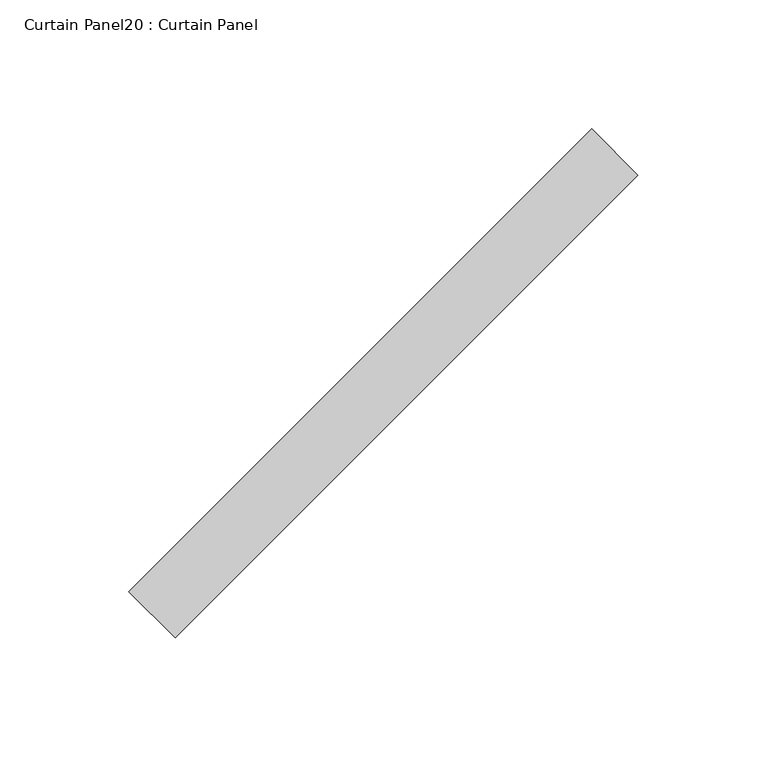
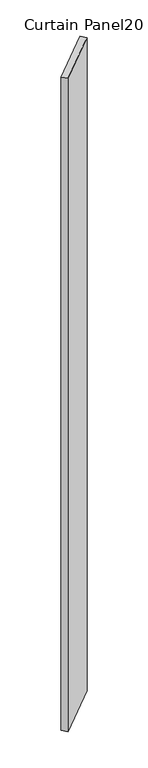
"""IFC4 building model written with IfcOpenShell, lengths in millimetres: plate geometry, Curtain Panel20 : Curtain Panel."""

from ifc_helpers import new_model, si_unit, frame, origin, place, context, project, spatial, polyline, outline, extrude, source, transform, mapped, element, save


def curtain_panel20_curtain_panel_61055bd7(model_context):
    return source(origin(), model_context, "Body", "SweptSolid", [
        extrude(outline(polyline([(15430.2010401, 3042.2666126), (15250.5959177, 2862.6614902), (15232.6354054, 2880.6220025), (15412.2405279, 3060.2271249), (15430.2010401, 3042.2666126)])), frame((0.0, 0.0, -633.5446495), z_axis=(0.0, 0.0, 1.0), x_axis=(1.0, 0.0, 0.0)), (0.0, 0.0, 1.0), 2743.2),
    ])


if __name__ == "__main__":
    model = new_model("IFC4")
    model_context = context("Model", 3, world=origin())
    ifc_project = project(units=[si_unit("LENGTHUNIT", "METRE", prefix="MILLI")], contexts=[model_context])
    site = spatial("IfcSite", under=ifc_project)
    building = spatial("IfcBuilding", under=site)
    placement = place(None, origin())
    curtain_panel20_curtain_panel_shape = curtain_panel20_curtain_panel_61055bd7(model_context)
    element("IfcPlate", 1, ObjectType="Curtain Panel20 : Curtain Panel", at=placement, inside=building, context=model_context, shape_type="MappedRepresentation", body=[
        mapped(curtain_panel20_curtain_panel_shape, transform((0.0, 0.0, 0.0), x_axis=(1.0, 0.0, 0.0), y_axis=(0.0, 1.0, 0.0), z_axis=(0.0, 0.0, 1.0))),
    ])
    save(model, "model.ifc")
